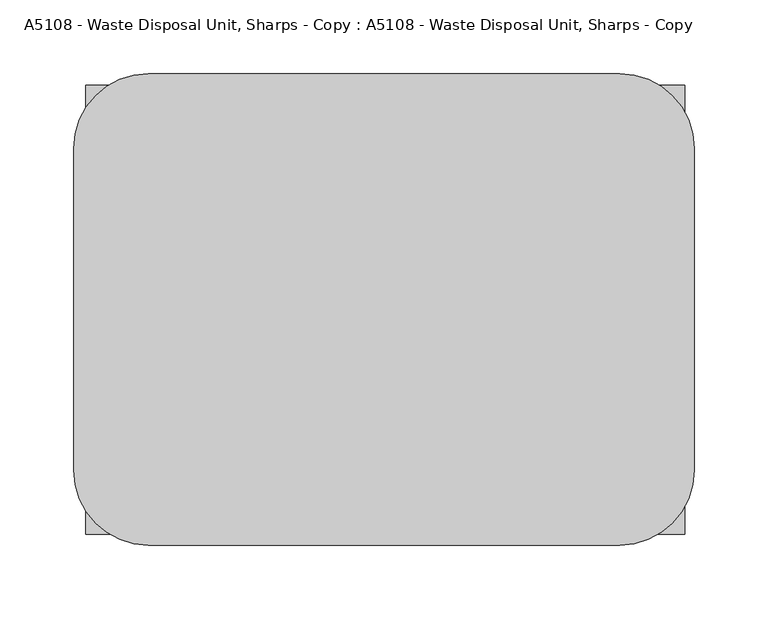
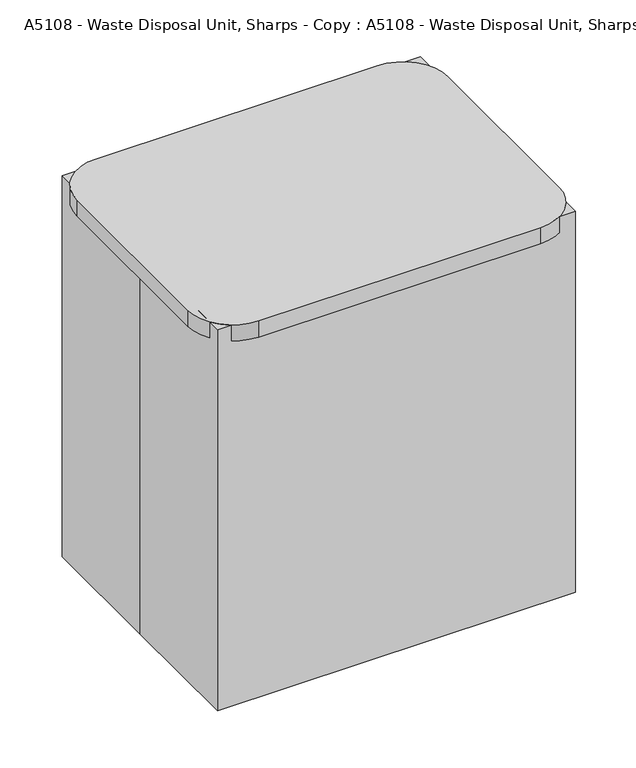
"""IFC4 building model written with IfcOpenShell, lengths in millimetres: proxy geometry, A5108 - Waste Disposal Unit, Sharps - Copy : A5108 - Waste Disposal Unit, Sharps - Copy."""

from ifc_helpers import new_model, si_unit, point, frame, frame_2d, origin, origin_with_axes, place, context, project, spatial, polyline, circle_curve, trimmed, segment, composite_curve, outline, extrude, source, transform, mapped, element, save
from ifc_brep_helpers import plane_surface, spline_surface, advanced_brep


def a5108_waste_disposal_unit_sharps_copy_a5108_waste_disposal_e3dd660a(model_context):
    return source(origin(), model_context, "Body", "SolidModel", [
        extrude(outline(composite_curve([segment(trimmed(circle_curve(frame_2d((159.003917, 109.5639811)), 50.8), [point((159.003917, 160.3639811))], [point((209.803917, 109.5639811))], False, "CARTESIAN"), True, "CONTINUOUS"), segment(polyline([(209.803917, 109.5639811), (209.803917, -108.8679249)]), True, "CONTINUOUS"), segment(trimmed(circle_curve(frame_2d((159.003917, -108.8679249)), 50.8), [point((209.803917, -108.8679249))], [point((159.003917, -159.6679249))], False, "CARTESIAN"), True, "CONTINUOUS"), segment(polyline([(159.003917, -159.6679249), (-160.7733941, -159.6679249)]), True, "CONTINUOUS"), segment(trimmed(circle_curve(frame_2d((-160.7733941, -108.8679249)), 50.8), [point((-160.7733941, -159.6679249))], [point((-211.5733941, -108.8679249))], False, "CARTESIAN"), True, "CONTINUOUS"), segment(polyline([(-211.5733941, -108.8679249), (-211.5733941, 109.5639811)]), True, "CONTINUOUS"), segment(trimmed(circle_curve(frame_2d((-160.7733941, 109.5639811)), 50.8), [point((-211.5733941, 109.5639811))], [point((-160.7733941, 160.3639811))], False, "CARTESIAN"), True, "CONTINUOUS"), segment(polyline([(-160.7733941, 160.3639811), (159.003917, 160.3639811)]), True, "CONTINUOUS")], self_intersect=False)), frame((0.0, 0.0, 437.8974387), z_axis=(0.0, 0.0, 1.0), x_axis=(1.0, 0.0, 0.0)), (0.0, 0.0, 1.0), 19.3025613),
        advanced_brep(
        [(141.0040588, 113.3386173, 0.0), (166.4040588, 87.9386173, 0.0), (166.4040588, -76.2, 0.0), (141.0040588, -101.6, 0.0), (-145.3589273, -101.6, 0.0), (-170.7589273, -76.2, 0.0), (-170.7589273, 87.9386173, 0.0), (-145.3589273, 113.3386173, 0.0), (152.4, 152.4, 437.8974387), (-152.4, 152.4, 437.8974387), (-203.2, 101.6, 437.8974387), (-203.2, -101.6, 437.8974387), (-152.4, -152.4, 437.8974387), (152.4, -152.4, 437.8974387), (203.2, -101.6, 437.8974387), (203.2, 101.6, 437.8974387)],
        [
            (0, 1, circle_curve(frame((141.0040588, 87.9386173, 0.0), z_axis=(0.0, 0.0, -1.0), x_axis=(1.0, 0.0, 0.0)), 25.4)),
            (1, 2),
            (2, 3, circle_curve(frame((141.0040588, -76.2, 0.0), z_axis=(0.0, 0.0, -1.0), x_axis=(1.0, 0.0, 0.0)), 25.4)),
            (3, 4),
            (4, 5, circle_curve(frame((-145.3589273, -76.2, 0.0), z_axis=(0.0, 0.0, -1.0), x_axis=(1.0, 0.0, 0.0)), 25.4)),
            (5, 6),
            (6, 7, circle_curve(frame((-145.3589273, 87.9386173, 0.0), z_axis=(0.0, 0.0, -1.0), x_axis=(1.0, 0.0, 0.0)), 25.4)),
            (7, 0),
            (8, 9),
            (9, 10, circle_curve(frame((-152.4, 101.6, 437.8974387), z_axis=(0.0, 0.0, 1.0), x_axis=(1.0, 0.0, 0.0)), 50.8)),
            (10, 11),
            (11, 12, circle_curve(frame((-152.4, -101.6, 437.8974387), z_axis=(0.0, 0.0, 1.0), x_axis=(1.0, 0.0, 0.0)), 50.8)),
            (12, 13),
            (13, 14, circle_curve(frame((152.4, -101.6, 437.8974387), z_axis=(0.0, 0.0, 1.0), x_axis=(1.0, 0.0, 0.0)), 50.8)),
            (14, 15),
            (15, 8, circle_curve(frame((152.4, 101.6, 437.8974387), z_axis=(0.0, 0.0, 1.0), x_axis=(1.0, 0.0, 0.0)), 50.8)),
            (8, 0),
            (7, 9),
            (6, 10),
            (5, 11),
            (4, 12),
            (3, 13),
            (2, 14),
            (1, 15),
        ],
        [
            plane_surface(frame((-2.1774343, 5.8693086, 0.0), z_axis=(0.0, 0.0, -1.0), x_axis=(-1.0, 0.0, 0.0))),
            plane_surface(frame((0.0, 0.0, 437.8974387), z_axis=(0.0, 0.0, 1.0), x_axis=(-1.0, 0.0, 0.0))),
            plane_surface(frame((0.0, 152.4, 437.8974387), z_axis=(0.0, 0.9960450767748678, -0.08884933895391632), x_axis=(1.0, 0.0, 0.0))),
            spline_surface(2, 1, [[(-203.2, 101.6, 437.8974387), (-170.7589273, 87.9386173, 0.0)], [(-203.19999999999996, 152.39999999999998, 437.8974387), (-170.75892729999998, 113.33861730000001, 0.0)], [(-152.4, 152.4, 437.8974387), (-145.3589273, 113.3386173, 0.0)]], [3, 3], [2, 2], [0.0, 1.0], [0.0, 1.0], weights=[[1.0, 1.0], [0.7071067811865478, 0.7071067811865478], [1.0, 1.0]]),
            plane_surface(frame((-203.2, 0.0, 437.8974387), z_axis=(-0.9972670455010029, 0.0, -0.07388125579401594), x_axis=(0.0, 1.0, 0.0))),
            spline_surface(2, 1, [[(-152.4, -152.4, 437.8974387), (-145.3589273, -101.6, 0.0)], [(-203.20000000000002, -152.40000000000003, 437.8974387), (-170.75892729999998, -101.60000000000001, 0.0)], [(-203.2, -101.6, 437.8974387), (-170.7589273, -76.2, 0.0)]], [3, 3], [2, 2], [0.0, 1.0], [0.0, 1.0], weights=[[1.0, 1.0], [0.7071067811865474, 0.7071067811865474], [1.0, 1.0]]),
            plane_surface(frame((0.0, -152.4, 437.8974387), z_axis=(0.0, -0.9933381345616705, -0.11523606391030766), x_axis=(-1.0, 0.0, 0.0))),
            spline_surface(2, 1, [[(203.2, -101.6, 437.8974387), (166.4040588, -76.2, 0.0)], [(203.19999999999996, -152.39999999999998, 437.8974387), (166.40405879999997, -101.60000000000001, 0.0)], [(152.4, -152.4, 437.8974387), (141.0040588, -101.6, 0.0)]], [3, 3], [2, 2], [0.0, 1.0], [0.0, 1.0], weights=[[1.0, 1.0], [0.7071067811865478, 0.7071067811865478], [1.0, 1.0]]),
            plane_surface(frame((203.2, 0.0, 437.8974387), z_axis=(0.9964881773157944, 0.0, -0.08373358029993602), x_axis=(0.0, -1.0, 0.0))),
            spline_surface(2, 1, [[(152.4, 152.4, 437.8974387), (141.0040588, 113.3386173, 0.0)], [(203.20000000000002, 152.40000000000003, 437.8974387), (166.40405879999997, 113.33861730000001, 0.0)], [(203.2, 101.6, 437.8974387), (166.4040588, 87.9386173, 0.0)]], [3, 3], [2, 2], [0.0, 1.0], [0.0, 1.0], weights=[[1.0, 1.0], [0.7071067811865474, 0.7071067811865474], [1.0, 1.0]]),
        ],
        [
            (0, [[1, 2, 3, 4, 5, 6, 7, 8]]),
            (1, [[9, 10, 11, 12, 13, 14, 15, 16]]),
            (2, [[-9, 17, -8, 18]]),
            (3, [[-10, -18, -7, 19]]),
            (4, [[-11, -19, -6, 20]]),
            (5, [[-12, -20, -5, 21]]),
            (6, [[-13, -21, -4, 22]]),
            (7, [[-14, -22, -3, 23]]),
            (8, [[-15, -23, -2, 24]]),
            (9, [[-16, -24, -1, -17]]),
        ],
    ),
        extrude(outline(polyline([(-203.2, 152.4), (203.2, 152.4), (203.2, -152.4), (-203.2, -152.4), (-203.2, 0.0), (-203.2, 152.4)])), origin_with_axes(), (0.0, 0.0, 1.0), 457.2),
    ])


if __name__ == "__main__":
    model = new_model("IFC4")
    model_context = context("Model", 3, world=origin())
    ifc_project = project(units=[si_unit("LENGTHUNIT", "METRE", prefix="MILLI")], contexts=[model_context])
    site = spatial("IfcSite", under=ifc_project)
    building = spatial("IfcBuilding", under=site)
    placement = place(None, origin())
    a5108_waste_disposal_unit_sharps_copy_a5108_waste_disposal_shape = a5108_waste_disposal_unit_sharps_copy_a5108_waste_disposal_e3dd660a(model_context)
    element("IfcBuildingElementProxy", 1, Name="A5108 - Waste Disposal Unit, Sharps - Copy : A5108 - Waste Disposal Unit, Sharps - Copy", ObjectType="A5108 - Waste Disposal Unit, Sharps - Copy : A5108 - Waste Disposal Unit, Sharps - Copy", at=placement, inside=building, context=model_context, shape_type="MappedRepresentation", body=[
        mapped(a5108_waste_disposal_unit_sharps_copy_a5108_waste_disposal_shape, transform((0.0, 0.0, 0.0), x_axis=(1.0, 0.0, 0.0), y_axis=(0.0, 1.0, 0.0), z_axis=(0.0, 0.0, 1.0))),
    ])
    save(model, "model.ifc")
